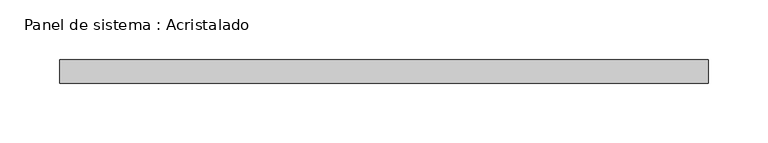
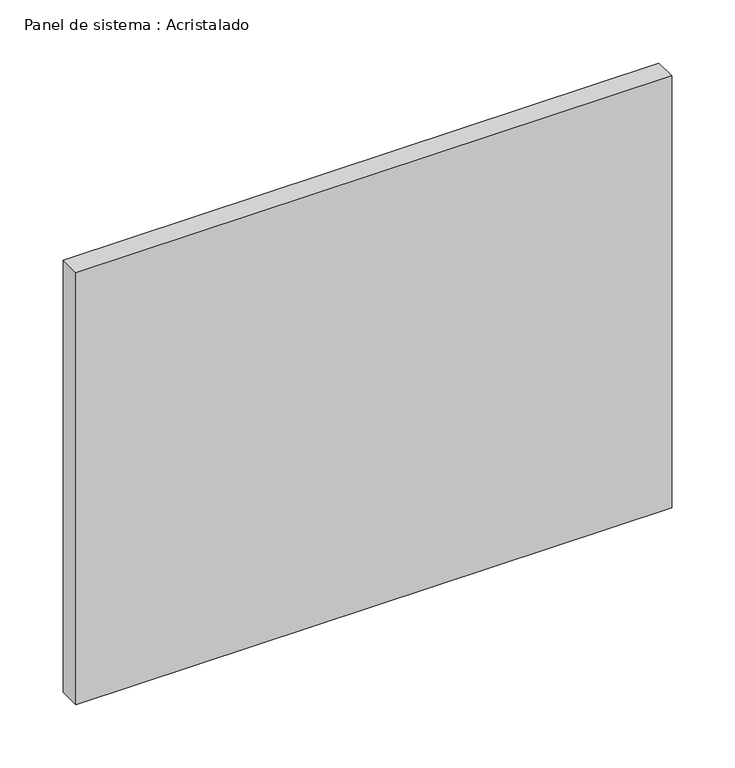
"""IFC4 building model written with IfcOpenShell, lengths in millimetres: plate geometry, Panel de sistema : Acristalado."""

from ifc_helpers import new_model, si_unit, origin, origin_with_axes, place, context, project, spatial, polyline, outline, extrude, source, transform, mapped, element, save


def panel_de_sistema_acristalado_6e5f4da9(model_context):
    return source(origin(), model_context, "Body", "SweptSolid", [
        extrude(outline(polyline([(272.5, -10.0), (-272.5, -10.0), (-272.5, 10.0), (272.5, 10.0), (272.5, -10.0)])), origin_with_axes(), (0.0, 0.0, 1.0), 417.7452144),
    ])


if __name__ == "__main__":
    model = new_model("IFC4")
    model_context = context("Model", 3, world=origin())
    ifc_project = project(units=[si_unit("LENGTHUNIT", "METRE", prefix="MILLI")], contexts=[model_context])
    site = spatial("IfcSite", under=ifc_project)
    building = spatial("IfcBuilding", under=site)
    placement = place(None, origin())
    panel_de_sistema_acristalado_shape = panel_de_sistema_acristalado_6e5f4da9(model_context)
    element("IfcPlate", 1, ObjectType="Panel de sistema : Acristalado", at=placement, inside=building, context=model_context, shape_type="MappedRepresentation", body=[
        mapped(panel_de_sistema_acristalado_shape, transform((0.0, 0.0, 0.0), x_axis=(1.0, 0.0, 0.0), y_axis=(0.0, 1.0, 0.0), z_axis=(0.0, 0.0, 1.0))),
    ])
    save(model, "model.ifc")
